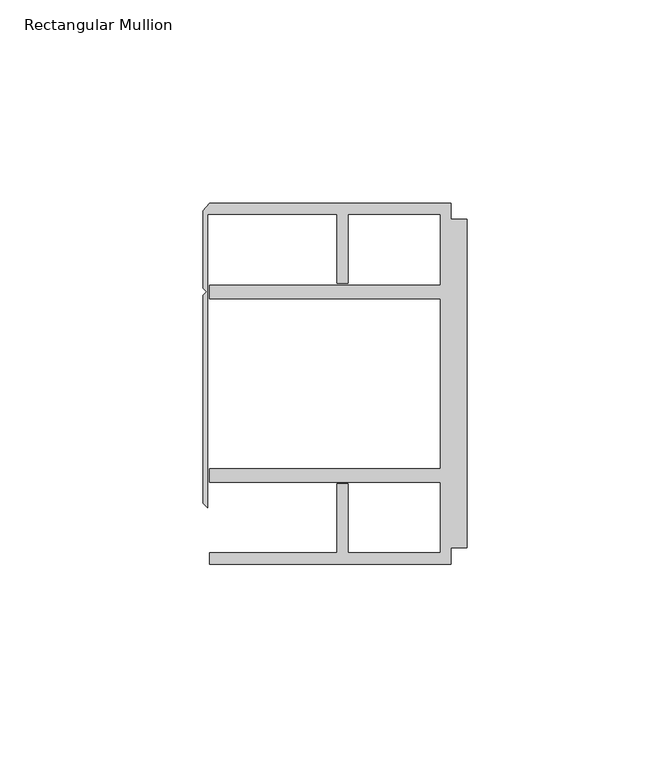
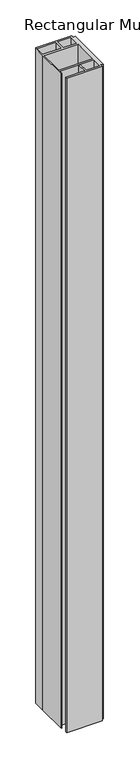
"""IFC4 building model written with IfcOpenShell, lengths in millimetres: member geometry, Rectangular Mullion."""

from ifc_helpers import new_model, si_unit, frame, origin, place, context, project, spatial, polyline, outline, extrude, source, transform, mapped, element, save


def rectangular_mullion_384f8177(model_context):
    return source(origin(), model_context, "Body", "SweptSolid", [
        extrude(outline(polyline([(-4.0000001, 44.45), (-4.0000001, 40.4500013), (0.0, 40.4500013), (0.0, -40.4500013), (-4.0000001, -40.4500013), (-4.0000001, -44.45), (-63.5, -44.45), (-63.5, -41.6500013), (-32.0000002, -41.6500013), (-32.0000002, -24.6468758), (-29.4000001, -24.6468758), (-29.4000001, -41.6500013), (-6.6000002, -41.6500013), (-6.6000002, -24.2500008), (-63.5, -24.2500008), (-63.5, -20.9500007), (-6.6000002, -20.9500007), (-6.6000002, 20.9500007), (-63.5, 20.9500007), (-63.5, 24.2500008), (-6.6000002, 24.2500008), (-6.6000002, 41.6500013), (-29.4000001, 41.6500013), (-29.4000001, 24.6468758), (-32.0000002, 24.6468758), (-32.0000002, 41.6500013), (-63.9424102, 41.6500013), (-63.9424102, -30.6159585), (-65.0875, -29.4708687), (-65.0875, 21.7153948), (-64.1791674, 22.6237274), (-65.0875, 23.53206), (-65.0875, 42.5778955), (-63.5, 44.45), (-4.0000001, 44.45)])), frame((0.0, 0.0, -1154.1125), z_axis=(0.0, 0.0, 1.0), x_axis=(1.0, 0.0, 0.0)), (0.0, 0.0, 1.0), 1154.1125),
    ])


if __name__ == "__main__":
    model = new_model("IFC4")
    model_context = context("Model", 3, world=origin())
    ifc_project = project(units=[si_unit("LENGTHUNIT", "METRE", prefix="MILLI")], contexts=[model_context])
    site = spatial("IfcSite", under=ifc_project)
    building = spatial("IfcBuilding", under=site)
    placement = place(None, origin())
    rectangular_mullion_shape = rectangular_mullion_384f8177(model_context)
    element("IfcMember", 1, ObjectType="Rectangular Mullion", at=placement, inside=building, context=model_context, shape_type="MappedRepresentation", body=[
        mapped(rectangular_mullion_shape, transform((0.0, 0.0, 0.0), x_axis=(1.0, 0.0, 0.0), y_axis=(0.0, 1.0, 0.0), z_axis=(0.0, 0.0, 1.0))),
    ])
    save(model, "model.ifc")
